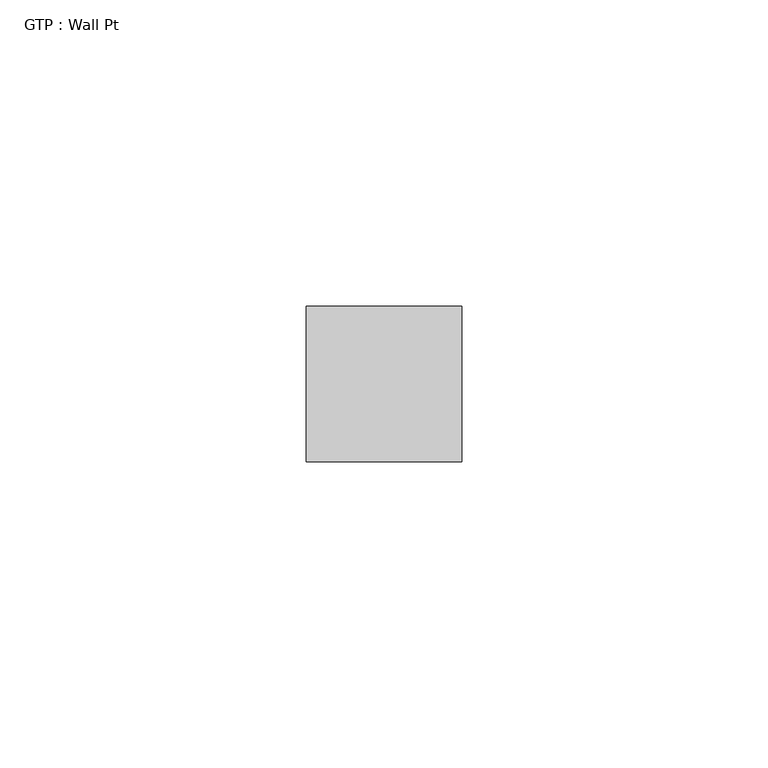
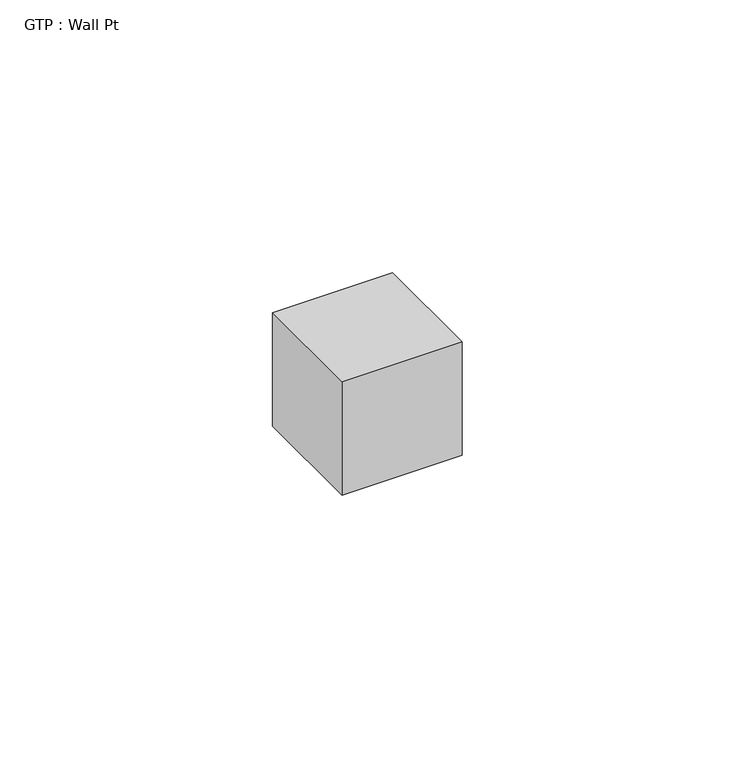
"""IFC4 building model written with IfcOpenShell, lengths in millimetres: proxy geometry, GTP : Wall Pt."""

from ifc_helpers import new_model, si_unit, frame, origin, place, context, project, spatial, polyline, outline, extrude, source, transform, mapped, element, save


def gtp_wall_pt_44fe1605(model_context):
    return source(origin(), model_context, "Body", "SweptSolid", [
        extrude(outline(polyline([(12.7, 12.7), (12.7, -12.7), (-12.7, -12.7), (-12.7, 12.7), (12.7, 12.7)])), frame((0.0, 0.0, -12.7), z_axis=(0.0, 0.0, 1.0), x_axis=(1.0, 0.0, 0.0)), (0.0, 0.0, 1.0), 25.4),
    ])


if __name__ == "__main__":
    model = new_model("IFC4")
    model_context = context("Model", 3, world=origin())
    ifc_project = project(units=[si_unit("LENGTHUNIT", "METRE", prefix="MILLI")], contexts=[model_context])
    site = spatial("IfcSite", under=ifc_project)
    building = spatial("IfcBuilding", under=site)
    placement = place(None, origin())
    gtp_wall_pt_shape = gtp_wall_pt_44fe1605(model_context)
    element("IfcBuildingElementProxy", 1, Name="GTP : Wall Pt", ObjectType="GTP : Wall Pt", at=placement, inside=building, context=model_context, shape_type="MappedRepresentation", body=[
        mapped(gtp_wall_pt_shape, transform((0.0, 0.0, 0.0), x_axis=(1.0, 0.0, 0.0), y_axis=(0.0, 1.0, 0.0), z_axis=(0.0, 0.0, 1.0))),
    ])
    save(model, "model.ifc")
